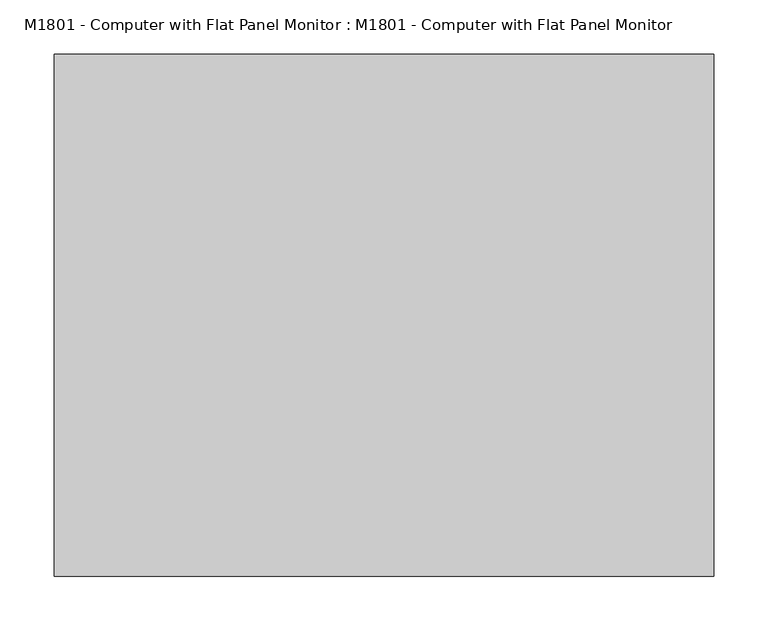
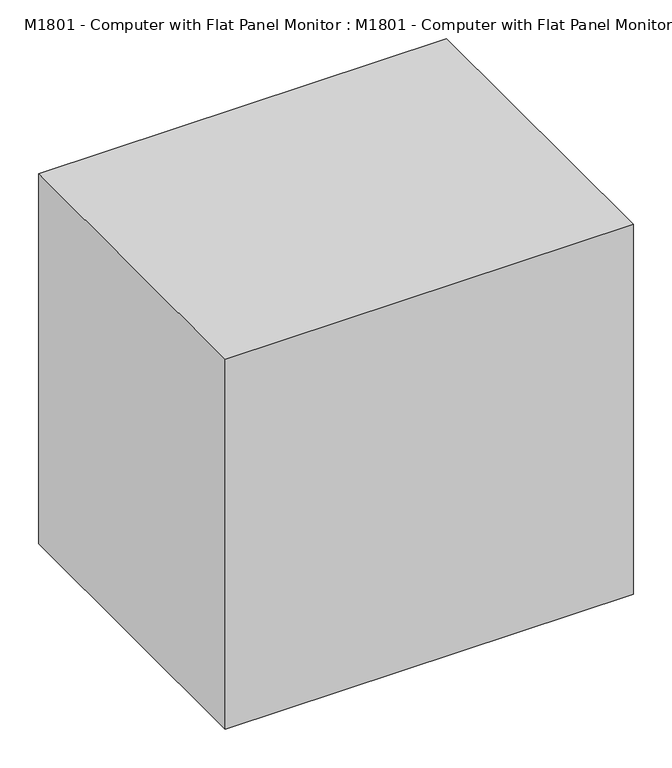
"""IFC4 building model written with IfcOpenShell, lengths in millimetres: proxy geometry, M1801 - Computer with Flat Panel Monitor : M1801 - Computer with Flat Panel Monitor."""

from ifc_helpers import new_model, si_unit, frame, origin, origin_with_axes, place, context, project, spatial, polyline, outline, extrude, faceted_brep, source, transform, mapped, element, save


def m1801_computer_with_flat_panel_monitor_m1801_computer_with_0831cff6(model_context):
    return source(origin(), model_context, "Body", "SolidModel", [
        faceted_brep([(241.3, -133.2656905, 431.8), (241.3, -82.6343095, 431.8), (-241.3, -82.6343095, 431.8), (-241.3, -133.2656905, 431.8), (241.3, -133.2656905, 152.4), (-241.3, -133.2656905, 152.4), (-241.3, -82.6343095, 152.4), (241.3, -82.6343095, 152.4), (-228.6, -82.6343095, 419.1), (-228.6, -82.6343095, 165.1), (228.6, -82.6343095, 165.1), (228.6, -82.6343095, 419.1), (228.6, -87.4205119, 419.1), (-228.6, -87.4205119, 419.1), (228.6, -87.4205119, 165.1), (-228.6, -87.4205119, 165.1)], [[[0, 1, 2, 3]], [[4, 5, 6, 7]], [[3, 5, 4, 0]], [[2, 6, 5, 3]], [[1, 7, 6, 2], [8, 9, 10, 11]], [[0, 4, 7, 1]], [[12, 13, 8, 11]], [[14, 10, 9, 15]], [[12, 14, 15, 13]], [[13, 15, 9, 8]], [[11, 10, 14, 12]]]),
        extrude(outline(polyline([(215.9, 12.7), (215.9, 0.0), (63.5, 0.0), (63.5, 25.4), (215.9, 12.7)])), frame((-241.3, 0.0, 0.0), z_axis=(1.0, 0.0, 0.0), x_axis=(0.0, 1.0, 0.0)), (0.0, 0.0, 1.0), 482.6),
        faceted_brep([(147.2218395, 0.0, 25.4), (147.2218395, -215.9, 25.4), (147.2218395, -215.9, 0.0), (147.2218395, 0.0, 0.0), (-147.2218395, -215.9, 25.4), (-147.2218395, 0.0, 25.4), (-147.2218395, 0.0, 0.0), (-147.2218395, -215.9, 0.0), (36.9685686, -196.7656905, 31.75), (-36.9685686, -196.7656905, 31.75), (-36.9685686, -196.7656905, 25.4), (36.9685686, -196.7656905, 25.4), (36.9685686, -196.7656905, 292.1), (-36.9685686, -196.7656905, 292.1), (36.9685686, -133.2656905, 292.1), (-36.9685686, -133.2656905, 292.1), (36.9685686, -133.2656905, 241.3), (-36.9685686, -133.2656905, 241.3), (36.9685686, -171.3656905, 241.3), (-36.9685686, -171.3656905, 241.3), (36.9685686, -171.3656905, 25.4), (-36.9685686, -171.3656905, 25.4)], [[[0, 1, 2, 3]], [[4, 5, 6, 7]], [[8, 9, 10, 11]], [[12, 13, 9, 8]], [[14, 15, 13, 12]], [[16, 17, 15, 14]], [[18, 19, 17, 16]], [[20, 21, 19, 18]], [[0, 5, 4, 1], [11, 10, 21, 20]], [[3, 6, 5, 0]], [[2, 7, 6, 3]], [[1, 4, 7, 2]], [[20, 18, 16, 14, 12, 8, 11]], [[10, 9, 13, 15, 17, 19, 21]]]),
        extrude(outline(polyline([(304.8, -241.3), (-304.8, -241.3), (-304.8, 241.3), (304.8, 241.3), (304.8, -241.3)])), origin_with_axes(), (0.0, 0.0, 1.0), 584.2),
    ])


if __name__ == "__main__":
    model = new_model("IFC4")
    model_context = context("Model", 3, world=origin())
    ifc_project = project(units=[si_unit("LENGTHUNIT", "METRE", prefix="MILLI")], contexts=[model_context])
    site = spatial("IfcSite", under=ifc_project)
    building = spatial("IfcBuilding", under=site)
    placement = place(None, origin())
    m1801_computer_with_flat_panel_monitor_m1801_computer_with_shape = m1801_computer_with_flat_panel_monitor_m1801_computer_with_0831cff6(model_context)
    element("IfcBuildingElementProxy", 1, Name="M1801 - Computer with Flat Panel Monitor : M1801 - Computer with Flat Panel Monitor", ObjectType="M1801 - Computer with Flat Panel Monitor : M1801 - Computer with Flat Panel Monitor", at=placement, inside=building, context=model_context, shape_type="MappedRepresentation", body=[
        mapped(m1801_computer_with_flat_panel_monitor_m1801_computer_with_shape, transform((0.0, 0.0, 0.0), x_axis=(1.0, 0.0, 0.0), y_axis=(0.0, 1.0, 0.0), z_axis=(0.0, 0.0, 1.0))),
    ])
    save(model, "model.ifc")
